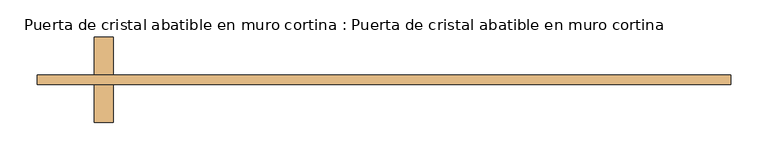
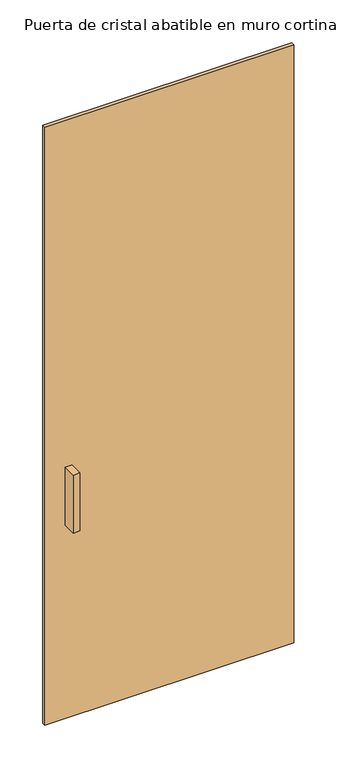
"""IFC4 building model written with IfcOpenShell, lengths in millimetres: door geometry, Puerta de cristal abatible en muro cortina : Puerta de cristal abatible en muro cortina."""

from ifc_helpers import new_model, si_unit, frame, origin, origin_with_axes, place, context, project, spatial, polyline, outline, extrude, source, transform, mapped, element, save


def puerta_de_cristal_abatible_en_muro_cortina_puerta_de_cristal_e46a7fd1(model_context):
    return source(origin(), model_context, "Body", "SweptSolid", [
        extrude(outline(polyline([(-362.9, 12.5), (-362.9, -38.3), (-388.3, -38.3), (-388.3, 12.5), (-362.9, 12.5)])), frame((0.0, 0.0, 762.0), z_axis=(0.0, 0.0, 1.0), x_axis=(1.0, 0.0, 0.0)), (0.0, 0.0, 1.0), 228.6),
        extrude(outline(polyline([(-388.3, -101.8), (-388.3, -51.0), (-362.9, -51.0), (-362.9, -101.8), (-388.3, -101.8)])), frame((0.0, 0.0, 762.0), z_axis=(0.0, 0.0, 1.0), x_axis=(1.0, 0.0, 0.0)), (0.0, 0.0, 1.0), 228.6),
        extrude(outline(polyline([(464.5, -51.0), (-464.5, -51.0), (-464.5, -38.3), (464.5, -38.3), (464.5, -51.0)])), origin_with_axes(), (0.0, 0.0, 1.0), 2358.0),
    ])


if __name__ == "__main__":
    model = new_model("IFC4")
    model_context = context("Model", 3, world=origin())
    ifc_project = project(units=[si_unit("LENGTHUNIT", "METRE", prefix="MILLI")], contexts=[model_context])
    site = spatial("IfcSite", under=ifc_project)
    building = spatial("IfcBuilding", under=site)
    placement = place(None, origin())
    puerta_de_cristal_abatible_en_muro_cortina_puerta_de_cristal_shape = puerta_de_cristal_abatible_en_muro_cortina_puerta_de_cristal_e46a7fd1(model_context)
    element("IfcDoor", 1, ObjectType="Puerta de cristal abatible en muro cortina : Puerta de cristal abatible en muro cortina", at=placement, inside=building, context=model_context, shape_type="MappedRepresentation", body=[
        mapped(puerta_de_cristal_abatible_en_muro_cortina_puerta_de_cristal_shape, transform((0.0, 0.0, 0.0), x_axis=(1.0, 0.0, 0.0), y_axis=(0.0, 1.0, 0.0), z_axis=(0.0, 0.0, 1.0))),
    ])
    save(model, "model.ifc")
